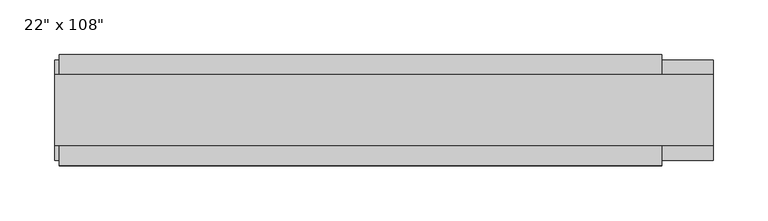
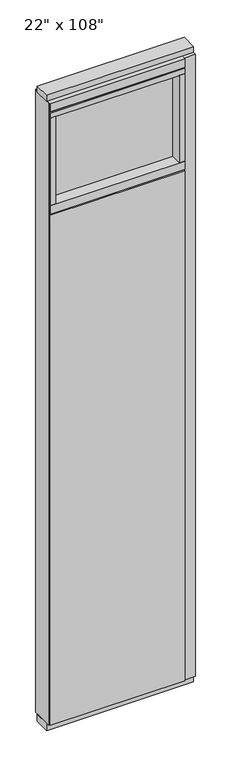
"""IFC4 building model written with IfcOpenShell, lengths in millimetres: furniture geometry."""

from ifc_helpers import new_model, si_unit, frame, origin, origin_with_axes, place, context, project, spatial, polyline, outline, extrude, source, transform, mapped, element, save


def furniture_41162943(model_context):
    return source(origin(), model_context, "Body", "SweptSolid", [
        extrude(outline(polyline([(215.4264771, 46.2822784), (215.4264771, 33.5822784), (-335.4995229, 33.5822784), (-335.4995229, 46.2822784), (215.4264771, 46.2822784)])), frame((0.0, 0.0, 31.75), z_axis=(0.0, 0.0, 1.0), x_axis=(1.0, 0.0, 0.0)), (0.0, 0.0, 1.0), 2203.45),
        extrude(outline(polyline([(215.4264771, -55.3177216), (-335.4995229, -55.3177216), (-335.4995229, -42.6177216), (215.4264771, -42.6177216), (215.4264771, -55.3177216)])), frame((0.0, 0.0, 31.75), z_axis=(0.0, 0.0, 1.0), x_axis=(1.0, 0.0, 0.0)), (0.0, 0.0, 1.0), 2203.45),
        extrude(outline(polyline([(193.2014771, -9.5977216), (-313.2745229, -9.5977216), (-313.2745229, 0.5622784), (193.2014771, 0.5622784), (193.2014771, -9.5977216)])), frame((0.0, 0.0, 2276.475), z_axis=(0.0, 0.0, 1.0), x_axis=(1.0, 0.0, 0.0)), (0.0, 0.0, 1.0), 377.825),
        extrude(outline(polyline([(193.2014771, -55.3177216), (193.2014771, 46.2822784), (215.4264771, 46.2822784), (215.4264771, -55.3177216), (193.2014771, -55.3177216)])), frame((0.0, 0.0, 2276.475), z_axis=(0.0, 0.0, 1.0), x_axis=(1.0, 0.0, 0.0)), (0.0, 0.0, 1.0), 377.825),
        extrude(outline(polyline([(-55.3177216, 2240.153), (-55.3177216, 2276.475), (46.2822784, 2276.475), (46.2822784, 2240.153), (41.3292784, 2240.153), (41.3292784, 2235.2), (-50.3647216, 2235.2), (-50.3647216, 2240.153), (-55.3177216, 2240.153)])), frame((-335.4995229, 0.0, 0.0), z_axis=(1.0, 0.0, 0.0), x_axis=(0.0, 1.0, 0.0)), (0.0, 0.0, 1.0), 550.926),
        extrude(outline(polyline([(-313.2745229, -55.3177216), (-335.4995229, -55.3177216), (-335.4995229, 46.2822784), (-313.2745229, 46.2822784), (-313.2745229, -55.3177216)])), frame((0.0, 0.0, 2276.475), z_axis=(0.0, 0.0, 1.0), x_axis=(1.0, 0.0, 0.0)), (0.0, 0.0, 1.0), 377.825),
        extrude(outline(polyline([(262.2894771, 27.9942784), (262.2894771, -37.0297216), (-339.4365229, -37.0297216), (-339.4365229, 27.9942784), (262.2894771, 27.9942784)])), origin_with_axes(), (0.0, 0.0, 1.0), 31.75),
        extrude(outline(polyline([(-339.4365229, -37.0297216), (-339.4365229, 27.9942784), (262.2894771, 27.9942784), (262.2894771, -37.0297216), (-339.4365229, -37.0297216)])), frame((0.0, 0.0, 2717.8), z_axis=(0.0, 0.0, 1.0), x_axis=(1.0, 0.0, 0.0)), (0.0, 0.0, 1.0), 25.4),
        extrude(outline(polyline([(-55.3177216, 2681.478), (-55.3177216, 2717.8), (46.2822784, 2717.8), (46.2822784, 2681.478), (41.3292784, 2681.478), (41.3292784, 2676.525), (-50.3647216, 2676.525), (-50.3647216, 2681.478), (-55.3177216, 2681.478)])), frame((-335.4995229, 0.0, 0.0), z_axis=(1.0, 0.0, 0.0), x_axis=(0.0, 1.0, 0.0)), (0.0, 0.0, 1.0), 550.926),
        extrude(outline(polyline([(215.4264771, 46.2822784), (215.4264771, -55.3177216), (-335.4995229, -55.3177216), (-335.4995229, 46.2822784), (215.4264771, 46.2822784)])), frame((0.0, 0.0, 2654.3), z_axis=(0.0, 0.0, 1.0), x_axis=(1.0, 0.0, 0.0)), (0.0, 0.0, 1.0), 22.225),
        extrude(outline(polyline([(262.2894771, -50.3647216), (215.4264771, -50.3647216), (215.4264771, 41.3292784), (262.2894771, 41.3292784), (262.2894771, -50.3647216)])), frame((0.0, 0.0, 31.75), z_axis=(0.0, 0.0, 1.0), x_axis=(1.0, 0.0, 0.0)), (0.0, 0.0, 1.0), 2686.05),
        extrude(outline(polyline([(-339.4365229, -50.3647216), (-339.4365229, 41.3292784), (-335.4995229, 41.3292784), (-335.4995229, -50.3647216), (-339.4365229, -50.3647216)])), frame((0.0, 0.0, 31.75), z_axis=(0.0, 0.0, 1.0), x_axis=(1.0, 0.0, 0.0)), (0.0, 0.0, 1.0), 2686.05),
    ])


if __name__ == "__main__":
    model = new_model("IFC4")
    model_context = context("Model", 3, world=origin())
    ifc_project = project(units=[si_unit("LENGTHUNIT", "METRE", prefix="MILLI")], contexts=[model_context])
    site = spatial("IfcSite", under=ifc_project)
    building = spatial("IfcBuilding", under=site)
    placement = place(None, origin())
    furniture_shape = furniture_41162943(model_context)
    element("IfcFurniture", 1, ObjectType="22\" x 108\"", at=placement, inside=building, context=model_context, shape_type="MappedRepresentation", body=[
        mapped(furniture_shape, transform((0.0, 0.0, 0.0), x_axis=(1.0, 0.0, 0.0), y_axis=(0.0, 1.0, 0.0), z_axis=(0.0, 0.0, 1.0))),
    ])
    save(model, "model.ifc")
